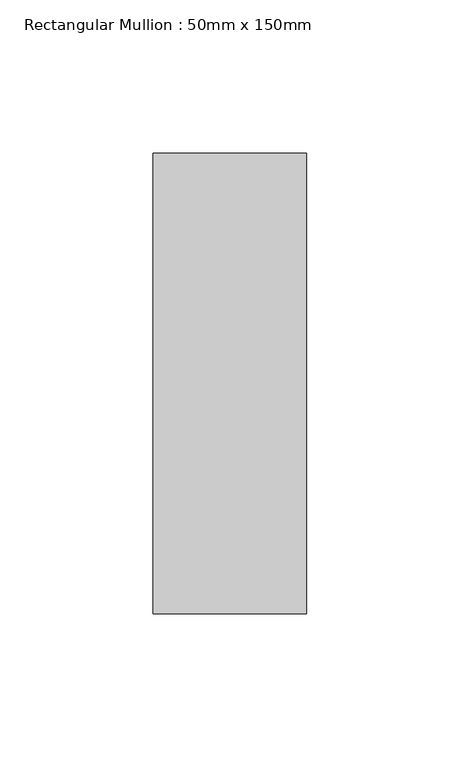
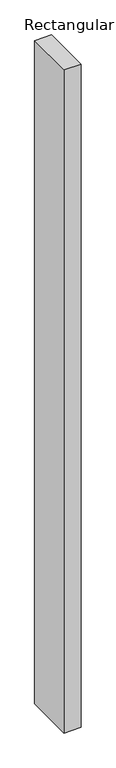
"""IFC4 building model written with IfcOpenShell, lengths in millimetres: member geometry, Rectangular Mullion : 50mm x 150mm."""

from ifc_helpers import new_model, si_unit, frame, origin, place, context, project, spatial, polyline, outline, extrude, source, transform, mapped, element, save


def rectangular_mullion_50mm_x_150mm_bc698cb1(model_context):
    return source(origin(), model_context, "Body", "SweptSolid", [
        extrude(outline(polyline([(0.0, 75.0), (0.0, -75.0), (-50.0, -75.0), (-50.0, 75.0), (0.0, 75.0)])), frame((0.0, 0.0, -2071.8584455), z_axis=(0.0, 0.0, 1.0), x_axis=(1.0, 0.0, 0.0)), (0.0, 0.0, 1.0), 2071.8584455),
    ])


if __name__ == "__main__":
    model = new_model("IFC4")
    model_context = context("Model", 3, world=origin())
    ifc_project = project(units=[si_unit("LENGTHUNIT", "METRE", prefix="MILLI")], contexts=[model_context])
    site = spatial("IfcSite", under=ifc_project)
    building = spatial("IfcBuilding", under=site)
    placement = place(None, origin())
    rectangular_mullion_50mm_x_150mm_shape = rectangular_mullion_50mm_x_150mm_bc698cb1(model_context)
    element("IfcMember", 1, ObjectType="Rectangular Mullion : 50mm x 150mm", at=placement, inside=building, context=model_context, shape_type="MappedRepresentation", body=[
        mapped(rectangular_mullion_50mm_x_150mm_shape, transform((0.0, 0.0, 0.0), x_axis=(1.0, 0.0, 0.0), y_axis=(0.0, 1.0, 0.0), z_axis=(0.0, 0.0, 1.0))),
    ])
    save(model, "model.ifc")
